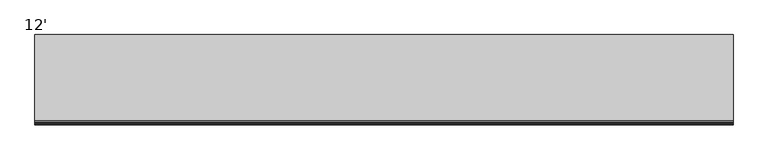
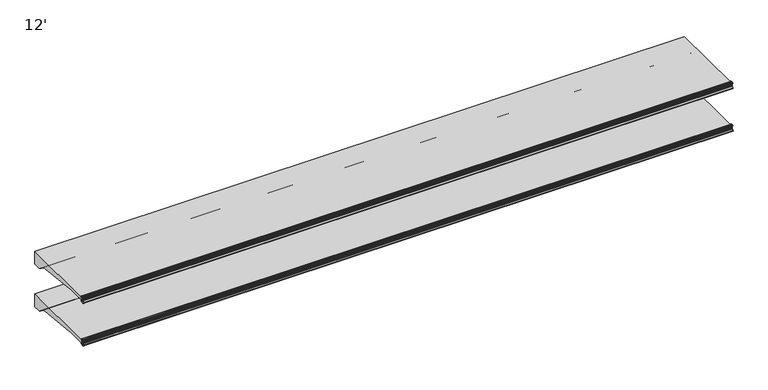
"""IFC4 building model written with IfcOpenShell, lengths in millimetres: proxy geometry, 12'."""

from ifc_helpers import new_model, si_unit, point, frame, frame_2d, origin, place, context, project, spatial, polyline, circle_curve, trimmed, segment, composite_curve, outline, extrude, source, transform, mapped, element, save
from ifc_brep_helpers import plane_surface, cylinder_surface, revolved_surface, advanced_brep


def proxy_12_b890b4f2(model_context):
    return source(origin(), model_context, "Body", "SolidModel", [
        advanced_brep(
        [(3657.6, -953.4873974, 681.0904625), (3657.6, -952.5185778, 681.4714625), (3657.6, -953.6333414, 684.3061209), (3657.6, -956.6955302, 686.3996415), (3657.6, -959.1595285, 686.4076477), (3657.6, -959.1595285, 657.8657693), (3657.6, -961.2817196, 655.360368), (3657.6, -965.5436404, 654.6561237), (3657.6, -968.2411887, 658.2745384), (3657.6, -965.1539285, 670.8307421), (3657.6, -965.1539285, 686.4076477), (3657.6, -970.314443, 686.4076477), (3657.6, -971.339509, 685.8874951), (3657.6, -972.4224632, 683.637417), (3657.6, -971.4385536, 683.443709), (3657.6, -970.8449745, 685.0408785), (3657.6, -969.9972085, 685.2102858), (3657.6, -967.9567396, 682.1127655), (3657.6, -967.0677396, 682.1127655), (3657.6, -967.0677396, 677.2983931), (3657.6, -966.2810398, 677.1037668), (3657.6, -967.0803293, 673.8729566), (3657.6, -967.1337108, 670.8148125), (3657.6, -967.1768859, 669.6923073), (3657.6, -967.3201998, 668.0486892), (3657.6, -967.7783843, 665.2928115), (3657.6, -968.1746064, 663.6912412), (3657.6, -971.9864246, 655.4135187), (3657.6, -972.8889174, 655.5326257), (3657.6, -973.3695256, 656.9783707), (3657.6, -974.339124, 656.7144155), (3657.6, -973.9435731, 655.5633791), (3657.6, -968.3206176, 651.8042842), (3657.6, -955.7661201, 653.8703352), (3657.6, -953.1994616, 655.999106), (3657.6, -952.2242271, 658.6783954), (3657.6, -953.2266912, 659.0432625), (3657.6, -954.0834067, 657.2549991), (3657.6, -957.704454, 658.1647291), (3657.6, -957.8263588, 681.9749145), (3657.6, -954.1516029, 682.7785615), (0.0, -953.4873974, 681.0904625), (0.0, -954.1516029, 682.7785615), (0.0, -957.8263588, 681.9749145), (0.0, -957.704454, 658.1647291), (0.0, -954.0834067, 657.2549991), (0.0, -953.2266912, 659.0432625), (0.0, -952.2242271, 658.6783954), (0.0, -953.1994616, 655.999106), (0.0, -955.7661201, 653.8703352), (0.0, -968.3206176, 651.8042842), (0.0, -973.943554, 655.5633876), (0.0, -974.339124, 656.7144155), (0.0, -973.3695256, 656.9783707), (0.0, -972.8889174, 655.5326257), (0.0, -971.9864527, 655.4135375), (0.0, -968.1746064, 663.6912412), (0.0, -967.7783843, 665.2928115), (0.0, -967.3201998, 668.0486892), (0.0, -967.1768859, 669.6923073), (0.0, -967.1337108, 670.8148125), (0.0, -967.0803293, 673.8729566), (0.0, -966.2810398, 677.1037668), (0.0, -967.0677396, 677.2983931), (0.0, -967.0677396, 682.1127655), (0.0, -967.9567396, 682.1127655), (0.0, -969.9972022, 685.2102916), (0.0, -970.8449745, 685.0408785), (0.0, -971.4385536, 683.443709), (0.0, -972.4224582, 683.6374156), (0.0, -971.3395219, 685.8875045), (0.0, -970.314443, 686.4076351), (0.0, -965.1539285, 686.4076477), (0.0, -965.1539285, 670.8307421), (0.0, -968.2411887, 658.2745384), (0.0, -965.5436404, 654.6561237), (0.0, -961.2817196, 655.360368), (0.0, -959.1595285, 657.8657693), (0.0, -959.1595285, 686.4076477), (0.0, -956.6955302, 686.3996415), (0.0, -953.6333414, 684.3061209), (0.0, -952.5185778, 681.4714625)],
        [
            (0, 1),
            (1, 2),
            (2, 3, circle_curve(frame((3657.6, -956.7062592, 683.0976589), z_axis=(1.0, 0.0, 0.0), x_axis=(0.0, 1.0, 0.0)), 3.302)),
            (3, 4),
            (4, 5),
            (5, 6, circle_curve(frame((3657.6, -961.6995285, 657.8657693), z_axis=(-1.0, 0.0, 0.0), x_axis=(0.0, 1.0, 0.0)), 2.54)),
            (6, 7),
            (7, 8, circle_curve(frame((3657.6, -965.9577369, 657.1621385), z_axis=(-1.0, 0.0, 0.0), x_axis=(0.0, 1.0, 0.0)), 2.5399972)),
            (8, 9, circle_curve(frame((3657.6, -996.6337496, 671.9132099), z_axis=(1.0, 0.0, 0.0), x_axis=(0.0, 1.0, 0.0)), 31.4984265)),
            (9, 10),
            (10, 11),
            (11, 12, circle_curve(frame((3657.6, -970.3145227, 685.1376477), z_axis=(1.0, 0.0, 0.0), x_axis=(0.0, 1.0, 0.0)), 1.2699874)),
            (12, 13, circle_curve(frame((3657.6, -965.8048035, 681.8380607), z_axis=(1.0, 0.0, 0.0), x_axis=(0.0, 1.0, 0.0)), 6.8579226)),
            (13, 14, circle_curve(frame((3657.6, -971.9374049, 683.5055199), z_axis=(1.0, 0.0, 0.0), x_axis=(0.0, 1.0, 0.0)), 0.5026661)),
            (14, 15),
            (15, 16, circle_curve(frame((3657.6, -970.3688025, 684.8639119), z_axis=(-1.0, 0.0, 0.0), x_axis=(0.0, 1.0, 0.0)), 0.5079931)),
            (16, 17, circle_curve(frame((3657.6, -978.1160311, 677.6412695), z_axis=(-1.0, 0.0, 0.0), x_axis=(0.0, 1.0, 0.0)), 11.0997964)),
            (17, 18),
            (18, 19),
            (19, 20),
            (20, 21),
            (21, 22),
            (22, 23, circle_curve(frame((3657.6, -995.7036769, 671.3516199), z_axis=(-1.0, 0.0, 0.0), x_axis=(0.0, 1.0, 0.0)), 28.5750087)),
            (23, 24, circle_curve(frame((3657.6, -967.6415419, 668.9047655), z_axis=(-1.0, 0.0, 0.0), x_axis=(0.0, 1.0, 0.0)), 0.9144)),
            (24, 25, circle_curve(frame((3657.6, -995.7036769, 671.3516199), z_axis=(-1.0, 0.0, 0.0), x_axis=(0.0, 1.0, 0.0)), 28.5750087)),
            (25, 26, circle_curve(frame((3657.6, -968.3594405, 664.5867655), z_axis=(-1.0, 0.0, 0.0), x_axis=(0.0, 1.0, 0.0)), 0.9144)),
            (26, 27, circle_curve(frame((3657.6, -995.7036769, 671.3516199), z_axis=(-1.0, 0.0, 0.0), x_axis=(0.0, 1.0, 0.0)), 28.5750087)),
            (27, 28, circle_curve(frame((3657.6, -972.4081685, 655.6967617), z_axis=(-1.0, 0.0, 0.0), x_axis=(0.0, 1.0, 0.0)), 0.5079962)),
            (28, 29),
            (29, 30, circle_curve(frame((3657.6, -973.8504313, 656.8320909), z_axis=(1.0, 0.0, 0.0), x_axis=(0.0, 1.0, 0.0)), 0.502661)),
            (30, 31, circle_curve(frame((3657.6, -967.6812793, 658.3588849), z_axis=(1.0, 0.0, 0.0), x_axis=(0.0, 1.0, 0.0)), 6.857928)),
            (31, 32, circle_curve(frame((3657.6, -968.1450833, 658.1518495), z_axis=(1.0, 0.0, 0.0), x_axis=(0.0, 1.0, 0.0)), 6.3499919)),
            (32, 33),
            (33, 34, circle_curve(frame((3657.6, -956.302307, 657.1285107), z_axis=(1.0, 0.0, 0.0), x_axis=(0.0, 1.0, 0.0)), 3.302)),
            (34, 35),
            (35, 36),
            (36, 37),
            (37, 38, circle_curve(frame((3657.6, -955.8014264, 658.0780625), z_axis=(-1.0, 0.0, 0.0), x_axis=(0.0, 1.0, 0.0)), 1.905)),
            (38, 39, circle_curve(frame((3657.6, -1192.7045275, 668.8669665), z_axis=(1.0, 0.0, 0.0), x_axis=(0.0, 1.0, 0.0)), 235.2436449)),
            (39, 40, circle_curve(frame((3657.6, -955.9243184, 682.0810625), z_axis=(-1.0, 0.0, 0.0), x_axis=(0.0, 1.0, 0.0)), 1.905)),
            (40, 0),
            (41, 42),
            (42, 43, circle_curve(frame((0.0, -955.9243184, 682.0810625), z_axis=(1.0, 0.0, 0.0), x_axis=(0.0, 1.0, 0.0)), 1.905)),
            (43, 44, circle_curve(frame((0.0, -1192.7045275, 668.8669665), z_axis=(-1.0, 0.0, 0.0), x_axis=(0.0, 1.0, 0.0)), 235.2436449)),
            (44, 45, circle_curve(frame((0.0, -955.8014264, 658.0780625), z_axis=(1.0, 0.0, 0.0), x_axis=(0.0, 1.0, 0.0)), 1.905)),
            (45, 46),
            (46, 47),
            (47, 48),
            (48, 49, circle_curve(frame((0.0, -956.302307, 657.1285107), z_axis=(-1.0, 0.0, 0.0), x_axis=(0.0, 1.0, 0.0)), 3.302)),
            (49, 50),
            (50, 51, circle_curve(frame((0.0, -968.1450833, 658.1518495), z_axis=(-1.0, 0.0, 0.0), x_axis=(0.0, 1.0, 0.0)), 6.3499919)),
            (51, 52, circle_curve(frame((0.0, -967.6812793, 658.3588849), z_axis=(-1.0, 0.0, 0.0), x_axis=(0.0, 1.0, 0.0)), 6.857928)),
            (52, 53, circle_curve(frame((0.0, -973.8504313, 656.8320909), z_axis=(-1.0, 0.0, 0.0), x_axis=(0.0, 1.0, 0.0)), 0.502661)),
            (53, 54),
            (54, 55, circle_curve(frame((0.0, -972.4081685, 655.6967617), z_axis=(1.0, 0.0, 0.0), x_axis=(0.0, 1.0, 0.0)), 0.5079962)),
            (55, 56, circle_curve(frame((0.0, -995.7036769, 671.3516199), z_axis=(1.0, 0.0, 0.0), x_axis=(0.0, 1.0, 0.0)), 28.5750087)),
            (56, 57, circle_curve(frame((0.0, -968.3594405, 664.5867655), z_axis=(1.0, 0.0, 0.0), x_axis=(0.0, 1.0, 0.0)), 0.9144)),
            (57, 58, circle_curve(frame((0.0, -995.7036769, 671.3516199), z_axis=(1.0, 0.0, 0.0), x_axis=(0.0, 1.0, 0.0)), 28.5750087)),
            (58, 59, circle_curve(frame((0.0, -967.6415419, 668.9047655), z_axis=(1.0, 0.0, 0.0), x_axis=(0.0, 1.0, 0.0)), 0.9144)),
            (59, 60, circle_curve(frame((0.0, -995.7036769, 671.3516199), z_axis=(1.0, 0.0, 0.0), x_axis=(0.0, 1.0, 0.0)), 28.5750087)),
            (60, 61),
            (61, 62),
            (62, 63),
            (63, 64),
            (64, 65),
            (65, 66, circle_curve(frame((0.0, -978.1160311, 677.6412695), z_axis=(1.0, 0.0, 0.0), x_axis=(0.0, 1.0, 0.0)), 11.0997964)),
            (66, 67, circle_curve(frame((0.0, -970.3688025, 684.8639119), z_axis=(1.0, 0.0, 0.0), x_axis=(0.0, 1.0, 0.0)), 0.5079931)),
            (67, 68),
            (68, 69, circle_curve(frame((0.0, -971.9374049, 683.5055199), z_axis=(-1.0, 0.0, 0.0), x_axis=(0.0, 1.0, 0.0)), 0.5026661)),
            (69, 70, circle_curve(frame((0.0, -965.8048035, 681.8380607), z_axis=(-1.0, 0.0, 0.0), x_axis=(0.0, 1.0, 0.0)), 6.8579226)),
            (70, 71, circle_curve(frame((0.0, -970.3145227, 685.1376477), z_axis=(-1.0, 0.0, 0.0), x_axis=(0.0, 1.0, 0.0)), 1.2699874)),
            (71, 72),
            (72, 73),
            (73, 74, circle_curve(frame((0.0, -996.6337496, 671.9132099), z_axis=(-1.0, 0.0, 0.0), x_axis=(0.0, 1.0, 0.0)), 31.4984265)),
            (74, 75, circle_curve(frame((0.0, -965.9577369, 657.1621385), z_axis=(1.0, 0.0, 0.0), x_axis=(0.0, 1.0, 0.0)), 2.5399972)),
            (75, 76),
            (76, 77, circle_curve(frame((0.0, -961.6995285, 657.8657693), z_axis=(1.0, 0.0, 0.0), x_axis=(0.0, 1.0, 0.0)), 2.54)),
            (77, 78),
            (78, 79),
            (79, 80, circle_curve(frame((0.0, -956.7062592, 683.0976589), z_axis=(-1.0, 0.0, 0.0), x_axis=(0.0, 1.0, 0.0)), 3.302)),
            (80, 81),
            (81, 41),
            (0, 41),
            (81, 1),
            (80, 2),
            (79, 3),
            (78, 4),
            (77, 5),
            (76, 6),
            (75, 7),
            (74, 8),
            (73, 9),
            (72, 10),
            (71, 11),
            (70, 12),
            (69, 13),
            (68, 14),
            (67, 15),
            (66, 16),
            (65, 17),
            (64, 18),
            (63, 19),
            (62, 20),
            (61, 21),
            (60, 22),
            (59, 23),
            (58, 24),
            (57, 25),
            (56, 26),
            (55, 27),
            (54, 28),
            (53, 29),
            (52, 30),
            (51, 31),
            (50, 32),
            (49, 33),
            (48, 34),
            (47, 35),
            (46, 36),
            (45, 37),
            (44, 38),
            (43, 39),
            (42, 40),
        ],
        [
            plane_surface(frame((3657.6, -952.5185778, 681.4714625), z_axis=(1.0, 0.0, 0.0), x_axis=(0.0, 0.9306231900674232, 0.3659787946162082))),
            plane_surface(frame((0.0, -952.5185778, 681.4714625), z_axis=(-1.0, 0.0, 0.0), x_axis=(0.0, -0.9306231900674232, -0.3659787946162082))),
            plane_surface(frame((3657.6, -953.4873974, 681.0904625), z_axis=(0.0, 0.3659787946162082, -0.9306231900674232), x_axis=(-1.0, 0.0, 0.0))),
            plane_surface(frame((3657.6, -952.5185778, 681.4714625), z_axis=(0.0, 0.9306231900759704, 0.3659787945944743), x_axis=(-1.0, 0.0, 0.0))),
            cylinder_surface(frame((0.0, -956.7062592, 683.0976589), z_axis=(1.0, 0.0, 0.0), x_axis=(0.0, 1.0, 0.0)), 3.302),
            plane_surface(frame((3657.6, -956.6955302, 686.3996415), z_axis=(0.0, 0.0032492421037266625, 0.9999947211989428), x_axis=(-1.0, 0.0, 0.0))),
            plane_surface(frame((3657.6, -959.1595285, 686.4076477), z_axis=(0.0, -1.0, 0.0), x_axis=(-1.0, 0.0, 0.0))),
            revolved_surface(polyline([(0.0, -959.1595285000001, 657.8657693), (3657.6, -959.1595285000001, 657.8657693)]), (0.0, -961.6995285, 657.8657693), (-1.0, 0.0, 0.0)),
            plane_surface(frame((3657.6, -961.2817196, 655.360368), z_axis=(0.0, -0.16303029417408857, 0.9866210636214444), x_axis=(-1.0, 0.0, 0.0))),
            revolved_surface(polyline([(0.0, -963.4177397, 657.1621385), (3657.6, -963.4177397, 657.1621385)]), (0.0, -965.9577369, 657.1621385), (-1.0, 0.0, 0.0)),
            cylinder_surface(frame((0.0, -996.6337496, 671.9132099), z_axis=(1.0, 0.0, 0.0), x_axis=(0.0, 1.0, 0.0)), 31.4984265),
            plane_surface(frame((3657.6, -965.1539285, 670.8307421), z_axis=(0.0, 1.0, 0.0), x_axis=(-1.0, 0.0, 0.0))),
            plane_surface(frame((3657.6, -965.1539285, 686.4076477), z_axis=(0.0, -1.119160319973389e-12, 1.0), x_axis=(-1.0, 0.0, 0.0))),
            cylinder_surface(frame((0.0, -970.3145227, 685.1376477), z_axis=(1.0, 0.0, 0.0), x_axis=(0.0, 1.0, 0.0)), 1.2699874),
            cylinder_surface(frame((0.0, -965.8048035, 681.8380607), z_axis=(1.0, 0.0, 0.0), x_axis=(0.0, 1.0, 0.0)), 6.8579226),
            cylinder_surface(frame((0.0, -971.9374049, 683.5055199), z_axis=(1.0, 0.0, 0.0), x_axis=(0.0, 1.0, 0.0)), 0.5026661),
            plane_surface(frame((3657.6, -971.4385536, 683.443709), z_axis=(0.0, 0.9373592211117492, -0.34836430729449747), x_axis=(-1.0, 0.0, 0.0))),
            revolved_surface(polyline([(0.0, -969.8608094, 684.8639119), (3657.6, -969.8608094, 684.8639119)]), (0.0, -970.3688025, 684.8639119), (-1.0, 0.0, 0.0)),
            revolved_surface(polyline([(0.0, -967.0162347, 677.6412695), (3657.6, -967.0162347, 677.6412695)]), (0.0, -978.1160311, 677.6412695), (-1.0, 0.0, 0.0)),
            plane_surface(frame((3657.6, -967.9567396, 682.1127655), z_axis=(0.0, 3.0451831539108525e-12, -1.0), x_axis=(-1.0, 0.0, 0.0))),
            plane_surface(frame((3657.6, -967.0677396, 682.1127655), z_axis=(0.0, -1.0, 0.0), x_axis=(-1.0, 0.0, 0.0))),
            plane_surface(frame((3657.6, -967.0677396, 677.2983931), z_axis=(0.0, -0.24015578728041675, -0.9707343600778348), x_axis=(-1.0, 0.0, 0.0))),
            plane_surface(frame((3657.6, -966.2810398, 677.1037668), z_axis=(0.0, -0.9707343600778283, 0.2401557872804431), x_axis=(-1.0, 0.0, 0.0))),
            plane_surface(frame((3657.6, -967.0803293, 673.8729566), z_axis=(0.0, -0.9998476868214559, 0.017452883938876798), x_axis=(-1.0, 0.0, 0.0))),
            revolved_surface(polyline([(0.0, -967.1286682, 671.3516199), (3657.6, -967.1286682, 671.3516199)]), (0.0, -995.7036769, 671.3516199), (-1.0, 0.0, 0.0)),
            revolved_surface(polyline([(0.0, -966.7271419, 668.9047655), (3657.6, -966.7271419, 668.9047655)]), (0.0, -967.6415419, 668.9047655), (-1.0, 0.0, 0.0)),
            revolved_surface(polyline([(0.0, -967.4450405, 664.5867655), (3657.6, -967.4450405, 664.5867655)]), (0.0, -968.3594405, 664.5867655), (-1.0, 0.0, 0.0)),
            revolved_surface(polyline([(0.0, -971.9001723, 655.6967617), (3657.6, -971.9001723, 655.6967617)]), (0.0, -972.4081685, 655.6967617), (-1.0, 0.0, 0.0)),
            plane_surface(frame((3657.6, -972.8889174, 655.5326257), z_axis=(0.0, 0.9489403078347877, 0.31545568970367077), x_axis=(-1.0, 0.0, 0.0))),
            cylinder_surface(frame((0.0, -973.8504313, 656.8320909), z_axis=(1.0, 0.0, 0.0), x_axis=(0.0, 1.0, 0.0)), 0.502661),
            cylinder_surface(frame((0.0, -967.6812793, 658.3588849), z_axis=(1.0, 0.0, 0.0), x_axis=(0.0, 1.0, 0.0)), 6.857928),
            cylinder_surface(frame((0.0, -968.1450833, 658.1518495), z_axis=(1.0, 0.0, 0.0), x_axis=(0.0, 1.0, 0.0)), 6.3499919),
            plane_surface(frame((3657.6, -968.3206176, 651.8042842), z_axis=(0.0, 0.16238245504538304, -0.986727894757939), x_axis=(-1.0, 0.0, 0.0))),
            cylinder_surface(frame((0.0, -956.302307, 657.1285107), z_axis=(1.0, 0.0, 0.0), x_axis=(0.0, 1.0, 0.0)), 3.302),
            plane_surface(frame((3657.6, -953.1994616, 655.999106), z_axis=(0.0, 0.9396866512804775, -0.3420365439617273), x_axis=(-1.0, 0.0, 0.0))),
            plane_surface(frame((3657.6, -952.2242271, 658.6783954), z_axis=(0.0, 0.342020143308865, 0.9396926207920244), x_axis=(-1.0, 0.0, 0.0))),
            plane_surface(frame((3657.6, -953.2266912, 659.0432625), z_axis=(0.0, -0.901847608486837, 0.43205426865912666), x_axis=(-1.0, 0.0, 0.0))),
            revolved_surface(polyline([(0.0, -953.8964264, 658.0780625), (3657.6, -953.8964264, 658.0780625)]), (0.0, -955.8014264, 658.0780625), (-1.0, 0.0, 0.0)),
            cylinder_surface(frame((0.0, -1192.7045275, 668.8669665), z_axis=(1.0, 0.0, 0.0), x_axis=(0.0, 1.0, 0.0)), 235.2436449),
            revolved_surface(polyline([(0.0, -954.0193184, 682.0810625), (3657.6, -954.0193184, 682.0810625)]), (0.0, -955.9243184, 682.0810625), (-1.0, 0.0, 0.0)),
            plane_surface(frame((3657.6, -954.1516029, 682.7785615), z_axis=(0.0, -0.9305593005414599, -0.3661412134351841), x_axis=(-1.0, 0.0, 0.0))),
        ],
        [
            (0, [[1, 2, 3, 4, 5, 6, 7, 8, 9, 10, 11, 12, 13, 14, 15, 16, 17, 18, 19, 20, 21, 22, 23, 24, 25, 26, 27, 28, 29, 30, 31, 32, 33, 34, 35, 36, 37, 38, 39, 40, 41]]),
            (1, [[42, 43, 44, 45, 46, 47, 48, 49, 50, 51, 52, 53, 54, 55, 56, 57, 58, 59, 60, 61, 62, 63, 64, 65, 66, 67, 68, 69, 70, 71, 72, 73, 74, 75, 76, 77, 78, 79, 80, 81, 82]]),
            (2, [[-1, 83, -82, 84]]),
            (3, [[-2, -84, -81, 85]]),
            (4, [[-3, -85, -80, 86]]),
            (5, [[-4, -86, -79, 87]]),
            (6, [[-5, -87, -78, 88]]),
            (7, [[-6, -88, -77, 89]]),
            (8, [[-7, -89, -76, 90]]),
            (9, [[-8, -90, -75, 91]]),
            (10, [[-9, -91, -74, 92]]),
            (11, [[-10, -92, -73, 93]]),
            (12, [[-11, -93, -72, 94]]),
            (13, [[-12, -94, -71, 95]]),
            (14, [[-13, -95, -70, 96]]),
            (15, [[-14, -96, -69, 97]]),
            (16, [[-15, -97, -68, 98]]),
            (17, [[-16, -98, -67, 99]]),
            (18, [[-17, -99, -66, 100]]),
            (19, [[-18, -100, -65, 101]]),
            (20, [[-19, -101, -64, 102]]),
            (21, [[-20, -102, -63, 103]]),
            (22, [[-21, -103, -62, 104]]),
            (23, [[-22, -104, -61, 105]]),
            (24, [[-23, -105, -60, 106]]),
            (25, [[-24, -106, -59, 107]]),
            (24, [[-25, -107, -58, 108]]),
            (26, [[-26, -108, -57, 109]]),
            (24, [[-27, -109, -56, 110]]),
            (27, [[-28, -110, -55, 111]]),
            (28, [[-29, -111, -54, 112]]),
            (29, [[-30, -112, -53, 113]]),
            (30, [[-31, -113, -52, 114]]),
            (31, [[-32, -114, -51, 115]]),
            (32, [[-33, -115, -50, 116]]),
            (33, [[-34, -116, -49, 117]]),
            (34, [[-35, -117, -48, 118]]),
            (35, [[-36, -118, -47, 119]]),
            (36, [[-37, -119, -46, 120]]),
            (37, [[-38, -120, -45, 121]]),
            (38, [[-39, -121, -44, 122]]),
            (39, [[-40, -122, -43, 123]]),
            (40, [[-41, -123, -42, -83]]),
        ],
    ),
        extrude(outline(composite_curve([segment(trimmed(circle_curve(frame_2d((-536.2729198, 626.0606371)), 25.4), [point((-535.8410838, 600.6643083))], [point((-552.2502761, 606.3151544))], False, "CARTESIAN"), True, "CONTINUOUS"), segment(polyline([(-552.2502761, 606.3151544), (-570.1023372, 620.76042)]), True, "CONTINUOUS"), segment(trimmed(circle_curve(frame_2d((-610.0457279, 571.3967132)), 63.5), [point((-570.1023372, 620.76042))], [point((-602.1478466, 634.4036452))], True, "CARTESIAN"), True, "CONTINUOUS"), segment(polyline([(-602.1478466, 634.4036452), (-835.4355203, 658.1879037), (-835.4355203, 661.5413347), (-954.2108051, 661.5413347), (-954.8655599, 657.8280355)]), True, "CONTINUOUS"), segment(trimmed(circle_curve(frame_2d((-956.153787, 658.0551847)), 1.3081), [point((-954.8655599, 657.8280355))], [point((-957.461887, 658.0551847))], False, "CARTESIAN"), True, "CONTINUOUS"), segment(polyline([(-957.461887, 658.0551847), (-957.461887, 682.2076215)]), True, "CONTINUOUS"), segment(trimmed(circle_curve(frame_2d((-956.6845498, 682.2076215)), 0.7773372), [point((-957.461887, 682.2076215))], [point((-955.9072126, 682.2076215))], False, "CARTESIAN"), True, "CONTINUOUS"), segment(polyline([(-955.9072126, 682.2076215), (-955.9072126, 681.3588437)]), True, "CONTINUOUS"), segment(trimmed(circle_curve(frame_2d((-951.0617588, 681.3588437)), 4.8454538), [point((-955.9072126, 681.3588437))], [point((-951.0838062, 676.5134401))], True, "CARTESIAN"), True, "CONTINUOUS"), segment(polyline([(-951.0838062, 676.5134401), (-500.2639658, 676.5134401), (-500.2639658, 600.6643083), (-535.8410838, 600.6643083)]), True, "CONTINUOUS")], self_intersect=False)), frame((0.0, 0.0, 0.0), z_axis=(1.0, 0.0, 0.0), x_axis=(0.0, 1.0, 0.0)), (0.0, 0.0, 1.0), 3657.6),
        advanced_brep(
        [(3657.6, -953.4873974, 935.3347051), (3657.6, -952.5185778, 935.7157051), (3657.6, -953.6333414, 938.5503636), (3657.6, -956.6955302, 940.6438842), (3657.6, -959.1595285, 940.6518903), (3657.6, -959.1595285, 912.1100119), (3657.6, -961.2817196, 909.6046106), (3657.6, -965.5436404, 908.9003664), (3657.6, -968.2411887, 912.5187811), (3657.6, -965.1539285, 925.0749847), (3657.6, -965.1539285, 940.6518903), (3657.6, -970.314443, 940.6518903), (3657.6, -971.339509, 940.1317378), (3657.6, -972.4224632, 937.8816596), (3657.6, -971.4385536, 937.6879516), (3657.6, -970.8449745, 939.2851212), (3657.6, -969.9972085, 939.4545284), (3657.6, -967.9567396, 936.3570081), (3657.6, -967.0677396, 936.3570081), (3657.6, -967.0677396, 931.5426358), (3657.6, -966.2810398, 931.3480094), (3657.6, -967.0803293, 928.1171993), (3657.6, -967.1337108, 925.0590552), (3657.6, -967.1768859, 923.93655), (3657.6, -967.3201998, 922.2929318), (3657.6, -967.7783843, 919.5370542), (3657.6, -968.1746064, 917.9354839), (3657.6, -971.9864246, 909.6577613), (3657.6, -972.8889174, 909.7768683), (3657.6, -973.3695256, 911.2226133), (3657.6, -974.339124, 910.9586582), (3657.6, -973.9435731, 909.8076217), (3657.6, -968.3206176, 906.0485269), (3657.6, -955.7661201, 908.1145778), (3657.6, -953.1994616, 910.2433487), (3657.6, -952.2242271, 912.922638), (3657.6, -953.2266912, 913.2875051), (3657.6, -954.0834067, 911.4992417), (3657.6, -957.704454, 912.4089717), (3657.6, -957.8263588, 936.2191571), (3657.6, -954.1516029, 937.0228041), (0.0, -953.4873974, 935.3347051), (0.0, -954.1516029, 937.0228041), (0.0, -957.8263588, 936.2191571), (0.0, -957.704454, 912.4089717), (0.0, -954.0834067, 911.4992417), (0.0, -953.2266912, 913.2875051), (0.0, -952.2242271, 912.922638), (0.0, -953.1994616, 910.2433487), (0.0, -955.7661201, 908.1145778), (0.0, -968.3206176, 906.0485269), (0.0, -973.943554, 909.8076302), (0.0, -974.339124, 910.9586582), (0.0, -973.3695256, 911.2226133), (0.0, -972.8889174, 909.7768683), (0.0, -971.9864527, 909.6577802), (0.0, -968.1746064, 917.9354839), (0.0, -967.7783843, 919.5370542), (0.0, -967.3201998, 922.2929318), (0.0, -967.1768859, 923.93655), (0.0, -967.1337108, 925.0590552), (0.0, -967.0803293, 928.1171993), (0.0, -966.2810398, 931.3480094), (0.0, -967.0677396, 931.5426358), (0.0, -967.0677396, 936.3570081), (0.0, -967.9567396, 936.3570081), (0.0, -969.9972022, 939.4545343), (0.0, -970.8449745, 939.2851212), (0.0, -971.4385536, 937.6879516), (0.0, -972.4224582, 937.8816583), (0.0, -971.3395219, 940.1317472), (0.0, -970.314443, 940.6518777), (0.0, -965.1539285, 940.6518903), (0.0, -965.1539285, 925.0749847), (0.0, -968.2411887, 912.5187811), (0.0, -965.5436404, 908.9003664), (0.0, -961.2817196, 909.6046106), (0.0, -959.1595285, 912.1100119), (0.0, -959.1595285, 940.6518903), (0.0, -956.6955302, 940.6438842), (0.0, -953.6333414, 938.5503636), (0.0, -952.5185778, 935.7157051)],
        [
            (0, 1),
            (1, 2),
            (2, 3, circle_curve(frame((3657.6, -956.7062592, 937.3419016), z_axis=(1.0, 0.0, 0.0), x_axis=(0.0, 1.0, 0.0)), 3.302)),
            (3, 4),
            (4, 5),
            (5, 6, circle_curve(frame((3657.6, -961.6995285, 912.1100119), z_axis=(-1.0, 0.0, 0.0), x_axis=(0.0, 1.0, 0.0)), 2.54)),
            (6, 7),
            (7, 8, circle_curve(frame((3657.6, -965.9577369, 911.4063811), z_axis=(-1.0, 0.0, 0.0), x_axis=(0.0, 1.0, 0.0)), 2.5399972)),
            (8, 9, circle_curve(frame((3657.6, -996.6337496, 926.1574525), z_axis=(1.0, 0.0, 0.0), x_axis=(0.0, 1.0, 0.0)), 31.4984265)),
            (9, 10),
            (10, 11),
            (11, 12, circle_curve(frame((3657.6, -970.3145227, 939.3818903), z_axis=(1.0, 0.0, 0.0), x_axis=(0.0, 1.0, 0.0)), 1.2699874)),
            (12, 13, circle_curve(frame((3657.6, -965.8048035, 936.0823033), z_axis=(1.0, 0.0, 0.0), x_axis=(0.0, 1.0, 0.0)), 6.8579226)),
            (13, 14, circle_curve(frame((3657.6, -971.9374049, 937.7497625), z_axis=(1.0, 0.0, 0.0), x_axis=(0.0, 1.0, 0.0)), 0.5026661)),
            (14, 15),
            (15, 16, circle_curve(frame((3657.6, -970.3688025, 939.1081545), z_axis=(-1.0, 0.0, 0.0), x_axis=(0.0, 1.0, 0.0)), 0.5079931)),
            (16, 17, circle_curve(frame((3657.6, -978.1160311, 931.8855121), z_axis=(-1.0, 0.0, 0.0), x_axis=(0.0, 1.0, 0.0)), 11.0997964)),
            (17, 18),
            (18, 19),
            (19, 20),
            (20, 21),
            (21, 22),
            (22, 23, circle_curve(frame((3657.6, -995.7036769, 925.5958625), z_axis=(-1.0, 0.0, 0.0), x_axis=(0.0, 1.0, 0.0)), 28.5750087)),
            (23, 24, circle_curve(frame((3657.6, -967.6415419, 923.1490081), z_axis=(-1.0, 0.0, 0.0), x_axis=(0.0, 1.0, 0.0)), 0.9144)),
            (24, 25, circle_curve(frame((3657.6, -995.7036769, 925.5958625), z_axis=(-1.0, 0.0, 0.0), x_axis=(0.0, 1.0, 0.0)), 28.5750087)),
            (25, 26, circle_curve(frame((3657.6, -968.3594405, 918.8310081), z_axis=(-1.0, 0.0, 0.0), x_axis=(0.0, 1.0, 0.0)), 0.9144)),
            (26, 27, circle_curve(frame((3657.6, -995.7036769, 925.5958625), z_axis=(-1.0, 0.0, 0.0), x_axis=(0.0, 1.0, 0.0)), 28.5750087)),
            (27, 28, circle_curve(frame((3657.6, -972.4081685, 909.9410043), z_axis=(-1.0, 0.0, 0.0), x_axis=(0.0, 1.0, 0.0)), 0.5079962)),
            (28, 29),
            (29, 30, circle_curve(frame((3657.6, -973.8504313, 911.0763335), z_axis=(1.0, 0.0, 0.0), x_axis=(0.0, 1.0, 0.0)), 0.502661)),
            (30, 31, circle_curve(frame((3657.6, -967.6812793, 912.6031275), z_axis=(1.0, 0.0, 0.0), x_axis=(0.0, 1.0, 0.0)), 6.857928)),
            (31, 32, circle_curve(frame((3657.6, -968.1450833, 912.3960921), z_axis=(1.0, 0.0, 0.0), x_axis=(0.0, 1.0, 0.0)), 6.3499919)),
            (32, 33),
            (33, 34, circle_curve(frame((3657.6, -956.302307, 911.3727533), z_axis=(1.0, 0.0, 0.0), x_axis=(0.0, 1.0, 0.0)), 3.302)),
            (34, 35),
            (35, 36),
            (36, 37),
            (37, 38, circle_curve(frame((3657.6, -955.8014264, 912.3223051), z_axis=(-1.0, 0.0, 0.0), x_axis=(0.0, 1.0, 0.0)), 1.905)),
            (38, 39, circle_curve(frame((3657.6, -1192.7045275, 923.1112091), z_axis=(1.0, 0.0, 0.0), x_axis=(0.0, 1.0, 0.0)), 235.2436449)),
            (39, 40, circle_curve(frame((3657.6, -955.9243184, 936.3253051), z_axis=(-1.0, 0.0, 0.0), x_axis=(0.0, 1.0, 0.0)), 1.905)),
            (40, 0),
            (41, 42),
            (42, 43, circle_curve(frame((0.0, -955.9243184, 936.3253051), z_axis=(1.0, 0.0, 0.0), x_axis=(0.0, 1.0, 0.0)), 1.905)),
            (43, 44, circle_curve(frame((0.0, -1192.7045275, 923.1112091), z_axis=(-1.0, 0.0, 0.0), x_axis=(0.0, 1.0, 0.0)), 235.2436449)),
            (44, 45, circle_curve(frame((0.0, -955.8014264, 912.3223051), z_axis=(1.0, 0.0, 0.0), x_axis=(0.0, 1.0, 0.0)), 1.905)),
            (45, 46),
            (46, 47),
            (47, 48),
            (48, 49, circle_curve(frame((0.0, -956.302307, 911.3727533), z_axis=(-1.0, 0.0, 0.0), x_axis=(0.0, 1.0, 0.0)), 3.302)),
            (49, 50),
            (50, 51, circle_curve(frame((0.0, -968.1450833, 912.3960921), z_axis=(-1.0, 0.0, 0.0), x_axis=(0.0, 1.0, 0.0)), 6.3499919)),
            (51, 52, circle_curve(frame((0.0, -967.6812793, 912.6031275), z_axis=(-1.0, 0.0, 0.0), x_axis=(0.0, 1.0, 0.0)), 6.857928)),
            (52, 53, circle_curve(frame((0.0, -973.8504313, 911.0763335), z_axis=(-1.0, 0.0, 0.0), x_axis=(0.0, 1.0, 0.0)), 0.502661)),
            (53, 54),
            (54, 55, circle_curve(frame((0.0, -972.4081685, 909.9410043), z_axis=(1.0, 0.0, 0.0), x_axis=(0.0, 1.0, 0.0)), 0.5079962)),
            (55, 56, circle_curve(frame((0.0, -995.7036769, 925.5958625), z_axis=(1.0, 0.0, 0.0), x_axis=(0.0, 1.0, 0.0)), 28.5750087)),
            (56, 57, circle_curve(frame((0.0, -968.3594405, 918.8310081), z_axis=(1.0, 0.0, 0.0), x_axis=(0.0, 1.0, 0.0)), 0.9144)),
            (57, 58, circle_curve(frame((0.0, -995.7036769, 925.5958625), z_axis=(1.0, 0.0, 0.0), x_axis=(0.0, 1.0, 0.0)), 28.5750087)),
            (58, 59, circle_curve(frame((0.0, -967.6415419, 923.1490081), z_axis=(1.0, 0.0, 0.0), x_axis=(0.0, 1.0, 0.0)), 0.9144)),
            (59, 60, circle_curve(frame((0.0, -995.7036769, 925.5958625), z_axis=(1.0, 0.0, 0.0), x_axis=(0.0, 1.0, 0.0)), 28.5750087)),
            (60, 61),
            (61, 62),
            (62, 63),
            (63, 64),
            (64, 65),
            (65, 66, circle_curve(frame((0.0, -978.1160311, 931.8855121), z_axis=(1.0, 0.0, 0.0), x_axis=(0.0, 1.0, 0.0)), 11.0997964)),
            (66, 67, circle_curve(frame((0.0, -970.3688025, 939.1081545), z_axis=(1.0, 0.0, 0.0), x_axis=(0.0, 1.0, 0.0)), 0.5079931)),
            (67, 68),
            (68, 69, circle_curve(frame((0.0, -971.9374049, 937.7497625), z_axis=(-1.0, 0.0, 0.0), x_axis=(0.0, 1.0, 0.0)), 0.5026661)),
            (69, 70, circle_curve(frame((0.0, -965.8048035, 936.0823033), z_axis=(-1.0, 0.0, 0.0), x_axis=(0.0, 1.0, 0.0)), 6.8579226)),
            (70, 71, circle_curve(frame((0.0, -970.3145227, 939.3818903), z_axis=(-1.0, 0.0, 0.0), x_axis=(0.0, 1.0, 0.0)), 1.2699874)),
            (71, 72),
            (72, 73),
            (73, 74, circle_curve(frame((0.0, -996.6337496, 926.1574525), z_axis=(-1.0, 0.0, 0.0), x_axis=(0.0, 1.0, 0.0)), 31.4984265)),
            (74, 75, circle_curve(frame((0.0, -965.9577369, 911.4063811), z_axis=(1.0, 0.0, 0.0), x_axis=(0.0, 1.0, 0.0)), 2.5399972)),
            (75, 76),
            (76, 77, circle_curve(frame((0.0, -961.6995285, 912.1100119), z_axis=(1.0, 0.0, 0.0), x_axis=(0.0, 1.0, 0.0)), 2.54)),
            (77, 78),
            (78, 79),
            (79, 80, circle_curve(frame((0.0, -956.7062592, 937.3419016), z_axis=(-1.0, 0.0, 0.0), x_axis=(0.0, 1.0, 0.0)), 3.302)),
            (80, 81),
            (81, 41),
            (0, 41),
            (81, 1),
            (80, 2),
            (79, 3),
            (78, 4),
            (77, 5),
            (76, 6),
            (75, 7),
            (74, 8),
            (73, 9),
            (72, 10),
            (71, 11),
            (70, 12),
            (69, 13),
            (68, 14),
            (67, 15),
            (66, 16),
            (65, 17),
            (64, 18),
            (63, 19),
            (62, 20),
            (61, 21),
            (60, 22),
            (59, 23),
            (58, 24),
            (57, 25),
            (56, 26),
            (55, 27),
            (54, 28),
            (53, 29),
            (52, 30),
            (51, 31),
            (50, 32),
            (49, 33),
            (48, 34),
            (47, 35),
            (46, 36),
            (45, 37),
            (44, 38),
            (43, 39),
            (42, 40),
        ],
        [
            plane_surface(frame((3657.6, -952.5185778, 935.7157051), z_axis=(1.0, 0.0, 0.0), x_axis=(0.0, 0.9306231900674232, 0.3659787946162082))),
            plane_surface(frame((0.0, -952.5185778, 935.7157051), z_axis=(-1.0, 0.0, 0.0), x_axis=(0.0, -0.9306231900674232, -0.3659787946162082))),
            plane_surface(frame((3657.6, -953.4873974, 935.3347051), z_axis=(0.0, 0.3659787946162082, -0.9306231900674232), x_axis=(-1.0, 0.0, 0.0))),
            plane_surface(frame((3657.6, -952.5185778, 935.7157051), z_axis=(0.0, 0.9306231900759704, 0.3659787945944743), x_axis=(-1.0, 0.0, 0.0))),
            cylinder_surface(frame((0.0, -956.7062592, 937.3419016), z_axis=(1.0, 0.0, 0.0), x_axis=(0.0, 1.0, 0.0)), 3.302),
            plane_surface(frame((3657.6, -956.6955302, 940.6438842), z_axis=(0.0, 0.0032492421037266625, 0.9999947211989428), x_axis=(-1.0, 0.0, 0.0))),
            plane_surface(frame((3657.6, -959.1595285, 940.6518903), z_axis=(0.0, -1.0, 0.0), x_axis=(-1.0, 0.0, 0.0))),
            revolved_surface(polyline([(0.0, -959.1595285000001, 912.1100119), (3657.6, -959.1595285000001, 912.1100119)]), (0.0, -961.6995285, 912.1100119), (-1.0, 0.0, 0.0)),
            plane_surface(frame((3657.6, -961.2817196, 909.6046106), z_axis=(0.0, -0.16303029417408857, 0.9866210636214444), x_axis=(-1.0, 0.0, 0.0))),
            revolved_surface(polyline([(0.0, -963.4177397, 911.4063811), (3657.6, -963.4177397, 911.4063811)]), (0.0, -965.9577369, 911.4063811), (-1.0, 0.0, 0.0)),
            cylinder_surface(frame((0.0, -996.6337496, 926.1574525), z_axis=(1.0, 0.0, 0.0), x_axis=(0.0, 1.0, 0.0)), 31.4984265),
            plane_surface(frame((3657.6, -965.1539285, 925.0749847), z_axis=(0.0, 1.0, 0.0), x_axis=(-1.0, 0.0, 0.0))),
            plane_surface(frame((3657.6, -965.1539285, 940.6518903), z_axis=(0.0, -1.119160319973389e-12, 1.0), x_axis=(-1.0, 0.0, 0.0))),
            cylinder_surface(frame((0.0, -970.3145227, 939.3818903), z_axis=(1.0, 0.0, 0.0), x_axis=(0.0, 1.0, 0.0)), 1.2699874),
            cylinder_surface(frame((0.0, -965.8048035, 936.0823033), z_axis=(1.0, 0.0, 0.0), x_axis=(0.0, 1.0, 0.0)), 6.8579226),
            cylinder_surface(frame((0.0, -971.9374049, 937.7497625), z_axis=(1.0, 0.0, 0.0), x_axis=(0.0, 1.0, 0.0)), 0.5026661),
            plane_surface(frame((3657.6, -971.4385536, 937.6879516), z_axis=(0.0, 0.9373592211117492, -0.34836430729449747), x_axis=(-1.0, 0.0, 0.0))),
            revolved_surface(polyline([(0.0, -969.8608094, 939.1081545), (3657.6, -969.8608094, 939.1081545)]), (0.0, -970.3688025, 939.1081545), (-1.0, 0.0, 0.0)),
            revolved_surface(polyline([(0.0, -967.0162347, 931.8855121), (3657.6, -967.0162347, 931.8855121)]), (0.0, -978.1160311, 931.8855121), (-1.0, 0.0, 0.0)),
            plane_surface(frame((3657.6, -967.9567396, 936.3570081), z_axis=(0.0, 3.0451831539108525e-12, -1.0), x_axis=(-1.0, 0.0, 0.0))),
            plane_surface(frame((3657.6, -967.0677396, 936.3570081), z_axis=(0.0, -1.0, 0.0), x_axis=(-1.0, 0.0, 0.0))),
            plane_surface(frame((3657.6, -967.0677396, 931.5426358), z_axis=(0.0, -0.24015578728041675, -0.9707343600778348), x_axis=(-1.0, 0.0, 0.0))),
            plane_surface(frame((3657.6, -966.2810398, 931.3480094), z_axis=(0.0, -0.9707343600778283, 0.2401557872804431), x_axis=(-1.0, 0.0, 0.0))),
            plane_surface(frame((3657.6, -967.0803293, 928.1171993), z_axis=(0.0, -0.9998476868214559, 0.017452883938876798), x_axis=(-1.0, 0.0, 0.0))),
            revolved_surface(polyline([(0.0, -967.1286682, 925.5958625), (3657.6, -967.1286682, 925.5958625)]), (0.0, -995.7036769, 925.5958625), (-1.0, 0.0, 0.0)),
            revolved_surface(polyline([(0.0, -966.7271419, 923.1490081), (3657.6, -966.7271419, 923.1490081)]), (0.0, -967.6415419, 923.1490081), (-1.0, 0.0, 0.0)),
            revolved_surface(polyline([(0.0, -967.4450405, 918.8310081), (3657.6, -967.4450405, 918.8310081)]), (0.0, -968.3594405, 918.8310081), (-1.0, 0.0, 0.0)),
            revolved_surface(polyline([(0.0, -971.9001723, 909.9410043), (3657.6, -971.9001723, 909.9410043)]), (0.0, -972.4081685, 909.9410043), (-1.0, 0.0, 0.0)),
            plane_surface(frame((3657.6, -972.8889174, 909.7768683), z_axis=(0.0, 0.9489403078347877, 0.31545568970367077), x_axis=(-1.0, 0.0, 0.0))),
            cylinder_surface(frame((0.0, -973.8504313, 911.0763335), z_axis=(1.0, 0.0, 0.0), x_axis=(0.0, 1.0, 0.0)), 0.502661),
            cylinder_surface(frame((0.0, -967.6812793, 912.6031275), z_axis=(1.0, 0.0, 0.0), x_axis=(0.0, 1.0, 0.0)), 6.857928),
            cylinder_surface(frame((0.0, -968.1450833, 912.3960921), z_axis=(1.0, 0.0, 0.0), x_axis=(0.0, 1.0, 0.0)), 6.3499919),
            plane_surface(frame((3657.6, -968.3206176, 906.0485269), z_axis=(0.0, 0.16238245504538304, -0.986727894757939), x_axis=(-1.0, 0.0, 0.0))),
            cylinder_surface(frame((0.0, -956.302307, 911.3727533), z_axis=(1.0, 0.0, 0.0), x_axis=(0.0, 1.0, 0.0)), 3.302),
            plane_surface(frame((3657.6, -953.1994616, 910.2433487), z_axis=(0.0, 0.9396866512804775, -0.3420365439617273), x_axis=(-1.0, 0.0, 0.0))),
            plane_surface(frame((3657.6, -952.2242271, 912.922638), z_axis=(0.0, 0.342020143308865, 0.9396926207920244), x_axis=(-1.0, 0.0, 0.0))),
            plane_surface(frame((3657.6, -953.2266912, 913.2875051), z_axis=(0.0, -0.901847608486837, 0.43205426865912666), x_axis=(-1.0, 0.0, 0.0))),
            revolved_surface(polyline([(0.0, -953.8964264, 912.3223051), (3657.6, -953.8964264, 912.3223051)]), (0.0, -955.8014264, 912.3223051), (-1.0, 0.0, 0.0)),
            cylinder_surface(frame((0.0, -1192.7045275, 923.1112091), z_axis=(1.0, 0.0, 0.0), x_axis=(0.0, 1.0, 0.0)), 235.2436449),
            revolved_surface(polyline([(0.0, -954.0193184, 936.3253051), (3657.6, -954.0193184, 936.3253051)]), (0.0, -955.9243184, 936.3253051), (-1.0, 0.0, 0.0)),
            plane_surface(frame((3657.6, -954.1516029, 937.0228041), z_axis=(0.0, -0.9305593005414599, -0.3661412134351841), x_axis=(-1.0, 0.0, 0.0))),
        ],
        [
            (0, [[1, 2, 3, 4, 5, 6, 7, 8, 9, 10, 11, 12, 13, 14, 15, 16, 17, 18, 19, 20, 21, 22, 23, 24, 25, 26, 27, 28, 29, 30, 31, 32, 33, 34, 35, 36, 37, 38, 39, 40, 41]]),
            (1, [[42, 43, 44, 45, 46, 47, 48, 49, 50, 51, 52, 53, 54, 55, 56, 57, 58, 59, 60, 61, 62, 63, 64, 65, 66, 67, 68, 69, 70, 71, 72, 73, 74, 75, 76, 77, 78, 79, 80, 81, 82]]),
            (2, [[-1, 83, -82, 84]]),
            (3, [[-2, -84, -81, 85]]),
            (4, [[-3, -85, -80, 86]]),
            (5, [[-4, -86, -79, 87]]),
            (6, [[-5, -87, -78, 88]]),
            (7, [[-6, -88, -77, 89]]),
            (8, [[-7, -89, -76, 90]]),
            (9, [[-8, -90, -75, 91]]),
            (10, [[-9, -91, -74, 92]]),
            (11, [[-10, -92, -73, 93]]),
            (12, [[-11, -93, -72, 94]]),
            (13, [[-12, -94, -71, 95]]),
            (14, [[-13, -95, -70, 96]]),
            (15, [[-14, -96, -69, 97]]),
            (16, [[-15, -97, -68, 98]]),
            (17, [[-16, -98, -67, 99]]),
            (18, [[-17, -99, -66, 100]]),
            (19, [[-18, -100, -65, 101]]),
            (20, [[-19, -101, -64, 102]]),
            (21, [[-20, -102, -63, 103]]),
            (22, [[-21, -103, -62, 104]]),
            (23, [[-22, -104, -61, 105]]),
            (24, [[-23, -105, -60, 106]]),
            (25, [[-24, -106, -59, 107]]),
            (24, [[-25, -107, -58, 108]]),
            (26, [[-26, -108, -57, 109]]),
            (24, [[-27, -109, -56, 110]]),
            (27, [[-28, -110, -55, 111]]),
            (28, [[-29, -111, -54, 112]]),
            (29, [[-30, -112, -53, 113]]),
            (30, [[-31, -113, -52, 114]]),
            (31, [[-32, -114, -51, 115]]),
            (32, [[-33, -115, -50, 116]]),
            (33, [[-34, -116, -49, 117]]),
            (34, [[-35, -117, -48, 118]]),
            (35, [[-36, -118, -47, 119]]),
            (36, [[-37, -119, -46, 120]]),
            (37, [[-38, -120, -45, 121]]),
            (38, [[-39, -121, -44, 122]]),
            (39, [[-40, -122, -43, 123]]),
            (40, [[-41, -123, -42, -83]]),
        ],
    ),
        extrude(outline(composite_curve([segment(trimmed(circle_curve(frame_2d((-536.2729198, 880.3048798)), 25.4), [point((-535.8410838, 854.908551))], [point((-552.2502761, 860.5593971))], False, "CARTESIAN"), True, "CONTINUOUS"), segment(polyline([(-552.2502761, 860.5593971), (-570.1023372, 875.0046626)]), True, "CONTINUOUS"), segment(trimmed(circle_curve(frame_2d((-610.0457279, 825.6409559)), 63.5), [point((-570.1023372, 875.0046626))], [point((-602.1478466, 888.6478878))], True, "CARTESIAN"), True, "CONTINUOUS"), segment(polyline([(-602.1478466, 888.6478878), (-835.4355203, 912.4321464), (-835.4355203, 915.7855773), (-954.2108051, 915.7855773), (-954.8655599, 912.0722781)]), True, "CONTINUOUS"), segment(trimmed(circle_curve(frame_2d((-956.153787, 912.2994273)), 1.3081), [point((-954.8655599, 912.0722781))], [point((-957.461887, 912.2994273))], False, "CARTESIAN"), True, "CONTINUOUS"), segment(polyline([(-957.461887, 912.2994273), (-957.461887, 936.4518642)]), True, "CONTINUOUS"), segment(trimmed(circle_curve(frame_2d((-956.6845498, 936.4518642)), 0.7773372), [point((-957.461887, 936.4518642))], [point((-955.9072126, 936.4518642))], False, "CARTESIAN"), True, "CONTINUOUS"), segment(polyline([(-955.9072126, 936.4518642), (-955.9072126, 935.6030864)]), True, "CONTINUOUS"), segment(trimmed(circle_curve(frame_2d((-951.0617588, 935.6030864)), 4.8454538), [point((-955.9072126, 935.6030864))], [point((-951.0838062, 930.7576827))], True, "CARTESIAN"), True, "CONTINUOUS"), segment(polyline([(-951.0838062, 930.7576827), (-500.2639658, 930.7576827), (-500.2639658, 854.908551), (-535.8410838, 854.908551)]), True, "CONTINUOUS")], self_intersect=False)), frame((0.0, 0.0, 0.0), z_axis=(1.0, 0.0, 0.0), x_axis=(0.0, 1.0, 0.0)), (0.0, 0.0, 1.0), 3657.6),
    ])


if __name__ == "__main__":
    model = new_model("IFC4")
    model_context = context("Model", 3, world=origin())
    ifc_project = project(units=[si_unit("LENGTHUNIT", "METRE", prefix="MILLI")], contexts=[model_context])
    site = spatial("IfcSite", under=ifc_project)
    building = spatial("IfcBuilding", under=site)
    placement = place(None, origin())
    proxy_12_shape = proxy_12_b890b4f2(model_context)
    element("IfcBuildingElementProxy", 1, Name="12'", ObjectType="12'", at=placement, inside=building, context=model_context, shape_type="MappedRepresentation", body=[
        mapped(proxy_12_shape, transform((0.0, 0.0, 0.0), x_axis=(1.0, 0.0, 0.0), y_axis=(0.0, 1.0, 0.0), z_axis=(0.0, 0.0, 1.0))),
    ])
    save(model, "model.ifc")
